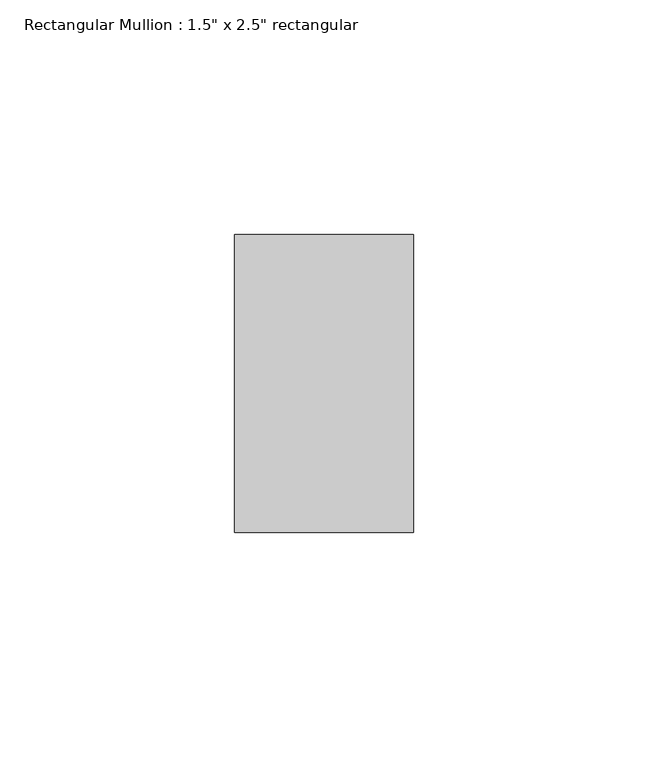
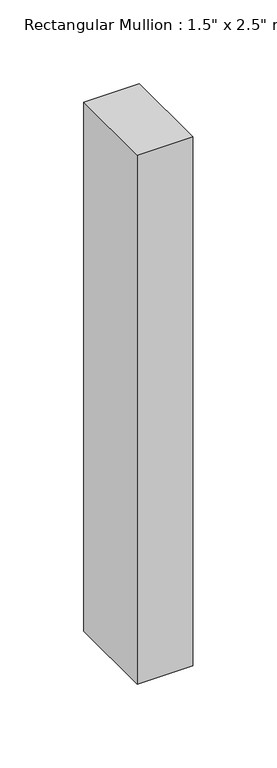
"""IFC4 building model written with IfcOpenShell, lengths in millimetres: member geometry."""

from ifc_helpers import new_model, si_unit, frame, origin, place, context, project, spatial, polyline, outline, extrude, source, transform, mapped, element, save


def member_475da037(model_context):
    return source(origin(), model_context, "Body", "SweptSolid", [
        extrude(outline(polyline([(0.0, 31.75), (0.0, -31.75), (-38.1, -31.75), (-38.1, 31.75), (0.0, 31.75)])), frame((0.0, 0.0, -384.6285714), z_axis=(0.0, 0.0, 1.0), x_axis=(1.0, 0.0, 0.0)), (0.0, 0.0, 1.0), 384.6285714),
    ])


if __name__ == "__main__":
    model = new_model("IFC4")
    model_context = context("Model", 3, world=origin())
    ifc_project = project(units=[si_unit("LENGTHUNIT", "METRE", prefix="MILLI")], contexts=[model_context])
    site = spatial("IfcSite", under=ifc_project)
    building = spatial("IfcBuilding", under=site)
    placement = place(None, origin())
    member_shape = member_475da037(model_context)
    element("IfcMember", 1, ObjectType="Rectangular Mullion : 1.5\" x 2.5\" rectangular", at=placement, inside=building, context=model_context, shape_type="MappedRepresentation", body=[
        mapped(member_shape, transform((0.0, 0.0, 0.0), x_axis=(1.0, 0.0, 0.0), y_axis=(0.0, 1.0, 0.0), z_axis=(0.0, 0.0, 1.0))),
    ])
    save(model, "model.ifc")
